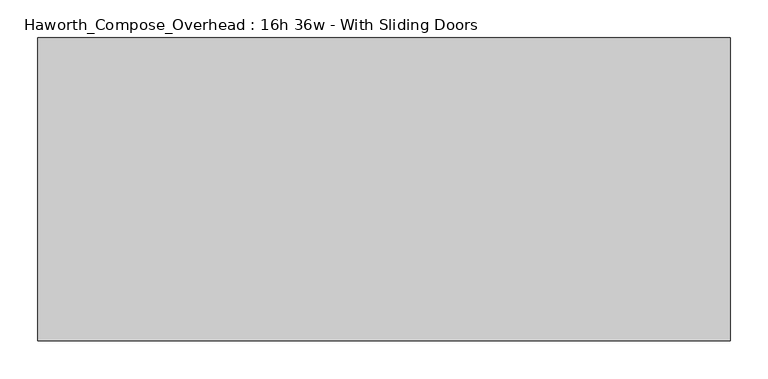
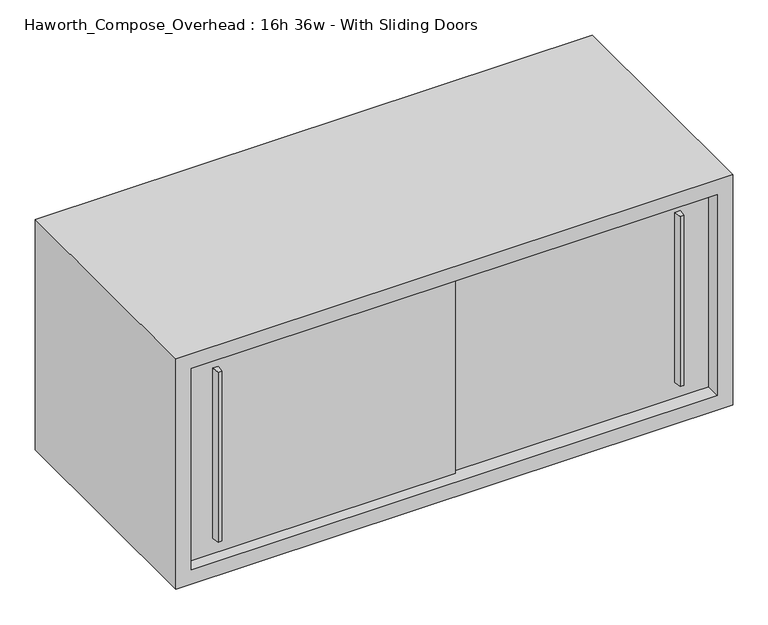
"""IFC4 building model written with IfcOpenShell, lengths in millimetres: furniture geometry, Haworth_Compose_Overhead : 16h 36w - With Sliding Doors."""

from ifc_helpers import new_model, si_unit, frame, origin, place, context, project, spatial, polyline, outline, extrude, source, transform, mapped, element, save


def haworth_compose_overhead_16h_36w_with_sliding_doors_6ab8db5e(model_context):
    return source(origin(), model_context, "Body", "SweptSolid", [
        extrude(outline(polyline([(549.2750004, -387.3499879), (542.9249996, -387.3499879), (541.3375011, -374.65), (550.8624989, -374.65), (549.2750004, -387.3499879)])), frame((0.0, 0.0, 1322.3875), z_axis=(0.0, 0.0, 1.0), x_axis=(1.0, 0.0, 0.0)), (0.0, 0.0, 1.0), 295.275),
        extrude(outline(polyline([(-212.7249996, -393.6999879), (-219.0750004, -393.6999879), (-220.6624989, -381.0), (-211.1375011, -381.0), (-212.7249996, -393.6999879)])), frame((0.0, 0.0, 1322.3875), z_axis=(0.0, 0.0, 1.0), x_axis=(1.0, 0.0, 0.0)), (0.0, 0.0, 1.0), 295.275),
        extrude(outline(polyline([(-266.7, -374.65), (177.8, -374.65), (177.8, -381.0), (-266.7, -381.0), (-266.7, -374.65)])), frame((0.0, 0.0, 1295.4), z_axis=(0.0, 0.0, 1.0), x_axis=(1.0, 0.0, 0.0)), (0.0, 0.0, 1.0), 349.25),
        extrude(outline(polyline([(152.4, -368.3), (596.9, -368.3), (596.9, -374.65), (152.4, -374.65), (152.4, -368.3)])), frame((0.0, 0.0, 1295.4), z_axis=(0.0, 0.0, 1.0), x_axis=(1.0, 0.0, 0.0)), (0.0, 0.0, 1.0), 349.25),
        extrude(outline(polyline([(596.9, -6.35), (-266.7, -6.35), (-266.7, 0.0), (596.9, 0.0), (596.9, -6.35)])), frame((0.0, 0.0, 1295.4), z_axis=(0.0, 0.0, 1.0), x_axis=(1.0, 0.0, 0.0)), (0.0, 0.0, 1.0), 349.25),
        extrude(outline(polyline([(1270.0, 622.3), (1670.05, 622.3), (1670.05, -292.1), (1270.0, -292.1), (1270.0, 622.3)]), holes=[polyline([(1644.65, 596.9), (1295.4, 596.9), (1295.4, -266.7), (1644.65, -266.7), (1644.65, 596.9)])]), frame((0.0, -400.05, 0.0), z_axis=(0.0, 1.0, 0.0), x_axis=(0.0, 0.0, 1.0)), (0.0, 0.0, 1.0), 400.05),
    ])


if __name__ == "__main__":
    model = new_model("IFC4")
    model_context = context("Model", 3, world=origin())
    ifc_project = project(units=[si_unit("LENGTHUNIT", "METRE", prefix="MILLI")], contexts=[model_context])
    site = spatial("IfcSite", under=ifc_project)
    building = spatial("IfcBuilding", under=site)
    placement = place(None, origin())
    haworth_compose_overhead_16h_36w_with_sliding_doors_shape = haworth_compose_overhead_16h_36w_with_sliding_doors_6ab8db5e(model_context)
    element("IfcFurniture", 1, ObjectType="Haworth_Compose_Overhead : 16h 36w - With Sliding Doors", at=placement, inside=building, context=model_context, shape_type="MappedRepresentation", body=[
        mapped(haworth_compose_overhead_16h_36w_with_sliding_doors_shape, transform((0.0, 0.0, 0.0), x_axis=(1.0, 0.0, 0.0), y_axis=(0.0, 1.0, 0.0), z_axis=(0.0, 0.0, 1.0))),
    ])
    save(model, "model.ifc")
